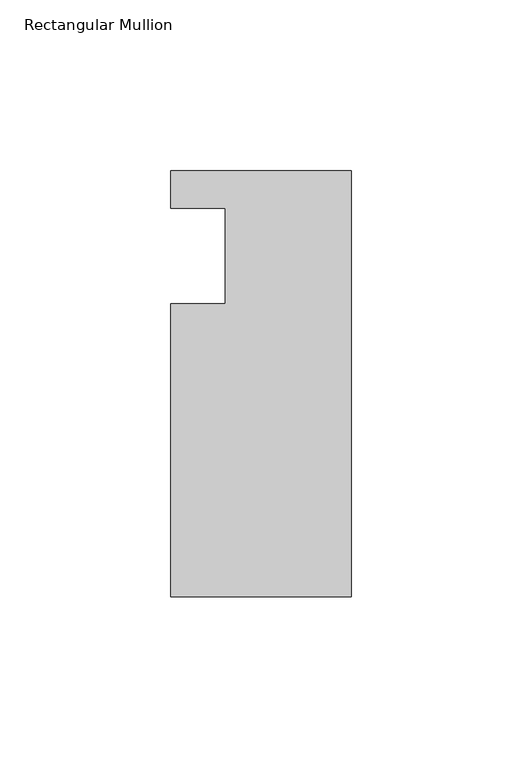
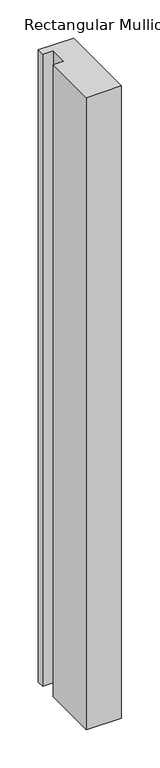
"""IFC4 building model written with IfcOpenShell, lengths in millimetres: member geometry, Rectangular Mullion."""

from ifc_helpers import new_model, si_unit, frame, origin, place, context, project, spatial, polyline, outline, extrude, source, transform, mapped, element, save


def rectangular_mullion_760562c7(model_context):
    return source(origin(), model_context, "Body", "SweptSolid", [
        extrude(outline(polyline([(0.0, 25.0), (0.0, -100.0), (-53.0, -100.0), (-53.0, -13.9998907), (-37.0, -13.9998907), (-37.0, 14.0), (-53.0, 14.0), (-53.0, 25.0), (0.0, 25.0)])), frame((0.0, 0.0, -1006.6595328), z_axis=(0.0, 0.0, 1.0), x_axis=(1.0, 0.0, 0.0)), (0.0, 0.0, 1.0), 1006.6595328),
    ])


if __name__ == "__main__":
    model = new_model("IFC4")
    model_context = context("Model", 3, world=origin())
    ifc_project = project(units=[si_unit("LENGTHUNIT", "METRE", prefix="MILLI")], contexts=[model_context])
    site = spatial("IfcSite", under=ifc_project)
    building = spatial("IfcBuilding", under=site)
    placement = place(None, origin())
    rectangular_mullion_shape = rectangular_mullion_760562c7(model_context)
    element("IfcMember", 1, ObjectType="Rectangular Mullion", at=placement, inside=building, context=model_context, shape_type="MappedRepresentation", body=[
        mapped(rectangular_mullion_shape, transform((0.0, 0.0, 0.0), x_axis=(1.0, 0.0, 0.0), y_axis=(0.0, 1.0, 0.0), z_axis=(0.0, 0.0, 1.0))),
    ])
    save(model, "model.ifc")
